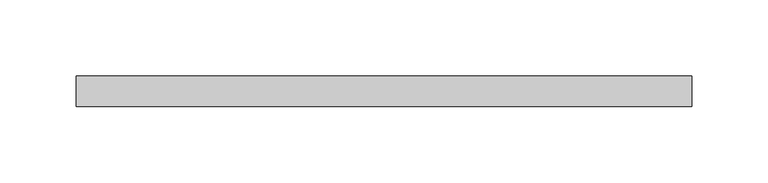
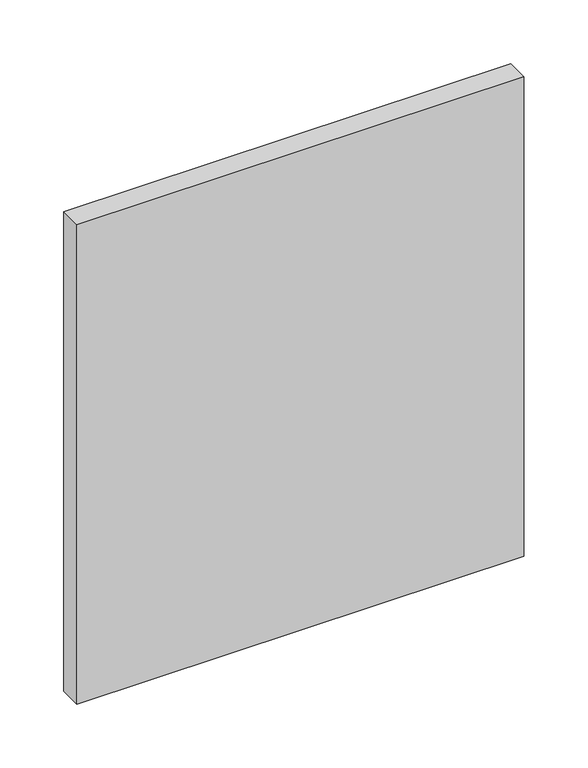
"""IFC4 building model written with IfcOpenShell, lengths in millimetres: plate geometry."""

from ifc_helpers import new_model, si_unit, origin, origin_with_axes, place, context, project, spatial, polyline, outline, extrude, source, transform, mapped, element, save


def plate_314ccc6a(model_context):
    return source(origin(), model_context, "Body", "SweptSolid", [
        extrude(outline(polyline([(201.8421053, 70.0), (-201.8421053, 70.0), (-201.8421053, 90.0), (201.8421053, 90.0), (201.8421053, 70.0)])), origin_with_axes(), (0.0, 0.0, 1.0), 457.7375),
    ])


if __name__ == "__main__":
    model = new_model("IFC4")
    model_context = context("Model", 3, world=origin())
    ifc_project = project(units=[si_unit("LENGTHUNIT", "METRE", prefix="MILLI")], contexts=[model_context])
    site = spatial("IfcSite", under=ifc_project)
    building = spatial("IfcBuilding", under=site)
    placement = place(None, origin())
    plate_shape = plate_314ccc6a(model_context)
    element("IfcPlate", 1, at=placement, inside=building, context=model_context, shape_type="MappedRepresentation", body=[
        mapped(plate_shape, transform((0.0, 0.0, 0.0), x_axis=(1.0, 0.0, 0.0), y_axis=(0.0, 1.0, 0.0), z_axis=(0.0, 0.0, 1.0))),
    ])
    save(model, "model.ifc")
